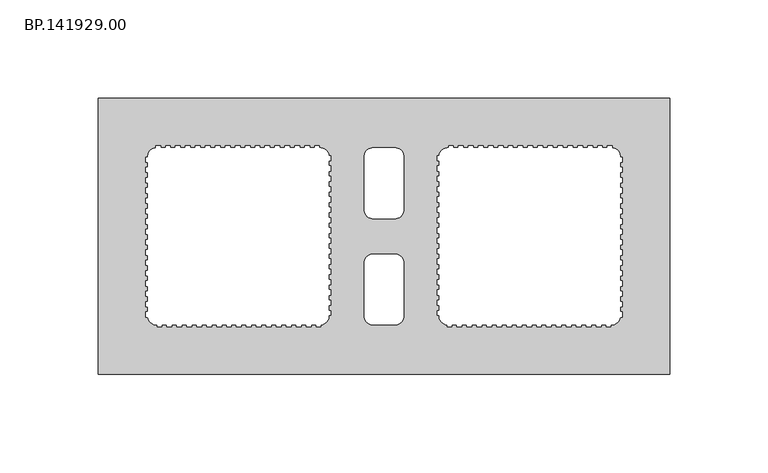
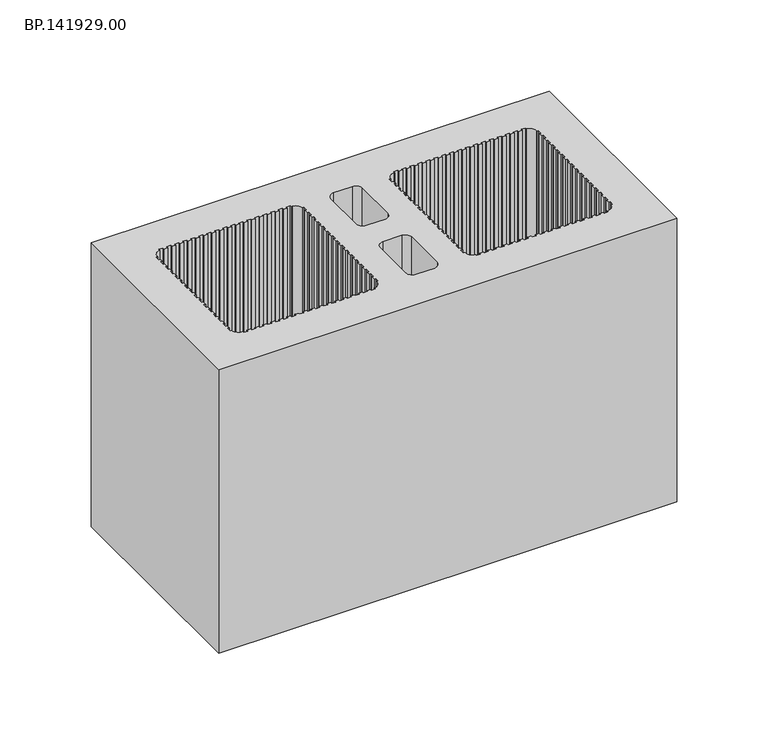
"""IFC4 building model written with IfcOpenShell, lengths in millimetres: proxy geometry, BP.141929.00."""

from ifc_helpers import new_model, si_unit, point, frame_2d, origin, origin_with_axes, place, context, project, spatial, polyline, circle_curve, trimmed, segment, composite_curve, outline, extrude, source, transform, mapped, element, save


def bp_141929_00_da45d11f(model_context):
    return source(origin(), model_context, "Body", "SweptSolid", [
        extrude(outline(polyline([(295.0, 70.0050293), (295.0, -70.0050293), (5.0, -70.0050293), (5.0, 70.0050293), (295.0, 70.0050293)]), holes=[composite_curve([segment(polyline([(117.1882813, 46.0), (114.8, 46.0), (114.8, 45.0), (112.275, 45.0), (112.275, 46.0), (109.75, 46.0), (109.75, 45.0), (107.225, 45.0), (107.225, 46.0), (104.7, 46.0), (104.7, 45.0), (102.175, 45.0), (102.175, 46.0), (99.65, 46.0), (99.65, 45.0), (97.125, 45.0), (97.125, 46.0), (94.6, 46.0), (94.6, 45.0), (92.075, 45.0), (92.075, 46.0), (89.55, 46.0), (89.55, 45.0), (87.025, 45.0), (87.025, 46.0), (84.5, 46.0), (84.5, 45.0), (81.975, 45.0), (81.975, 46.0), (79.45, 46.0), (79.45, 45.0), (76.925, 45.0), (76.925, 46.0), (74.4, 46.0), (74.4, 45.0), (71.875, 45.0), (71.875, 46.0), (69.35, 46.0), (69.35, 45.0), (66.825, 45.0), (66.825, 46.0), (64.3, 46.0), (64.3, 45.0), (61.775, 45.0), (61.775, 46.0), (59.25, 46.0), (59.25, 45.0), (56.725, 45.0), (56.725, 46.0), (54.2, 46.0), (54.2, 45.0), (51.675, 45.0), (51.675, 46.0), (49.15, 46.0), (49.15, 45.0), (46.625, 45.0), (46.625, 46.0), (44.1, 46.0), (44.1, 45.0), (41.575, 45.0), (41.575, 46.0), (39.05, 46.0), (39.05, 45.0), (36.525, 45.0), (36.525, 46.0), (34.0, 46.0), (34.0, 45.0)]), True, "CONTINUOUS"), segment(trimmed(circle_curve(frame_2d((34.4748737, 40.5251263)), 4.5), [point((34.0, 45.0))], [point((30.0, 41.0))], True, "CARTESIAN"), True, "CONTINUOUS"), segment(polyline([(30.0, 41.0), (30.0, 40.1817359), (29.0, 40.1817359), (29.0, 37.6763775), (30.0, 37.6763775), (30.0, 35.0538315), (29.0, 35.0538315), (29.0, 32.4312856), (30.0, 32.4312856), (30.0, 29.8087397), (29.0, 29.8087397), (29.0, 27.1861938), (30.0, 27.1861938), (30.0, 24.5636479), (29.0, 24.5636479), (29.0, 21.941102), (30.0, 21.941102), (30.0, 19.318556), (29.0, 19.318556), (29.0, 16.6960101), (30.0, 16.6960101), (30.0, 14.0734642), (29.0, 14.0734642), (29.0, 11.4509183), (30.0, 11.4509183), (30.0, 8.8283724), (29.0, 8.8283724), (29.0, 6.2058265), (30.0, 6.2058265), (30.0, 3.5832806), (29.0, 3.5832806), (29.0, 0.9607346), (30.0, 0.9607346), (30.0, -1.6618113), (29.0, -1.6618113), (29.0, -4.2843572), (30.0, -4.2843572), (30.0, -6.9069031), (29.0, -6.9069031), (29.0, -9.529449), (30.0, -9.529449), (30.0, -12.1519949), (29.0, -12.1519949), (29.0, -14.7745408), (30.0, -14.7745408), (30.0, -17.3970868), (29.0, -17.3970868), (29.0, -20.0196327), (30.0, -20.0196327), (30.0, -22.6421786), (29.0, -22.6421786), (29.0, -25.2647245), (30.0, -25.2647245), (30.0, -27.8872704), (29.0, -27.8872704), (29.0, -30.5098163), (30.0, -30.5098163), (30.0, -33.1323623), (29.0, -33.1323623), (29.0, -35.7549082), (30.0, -35.7549082), (30.0, -38.3774541), (29.0, -38.3774541), (29.0, -41.0), (30.0, -41.0)]), True, "CONTINUOUS"), segment(trimmed(circle_curve(frame_2d((34.4748737, -40.5251263)), 4.5), [point((30.0, -41.0))], [point((34.0, -45.0))], True, "CARTESIAN"), True, "CONTINUOUS"), segment(polyline([(34.0, -45.0), (34.7921875, -45.0), (34.7921875, -46.0), (37.2, -46.0), (37.2, -45.0), (39.725, -45.0), (39.725, -46.0), (42.25, -46.0), (42.25, -45.0), (44.775, -45.0), (44.775, -46.0), (47.3, -46.0), (47.3, -45.0), (49.825, -45.0), (49.825, -46.0), (52.35, -46.0), (52.35, -45.0), (54.875, -45.0), (54.875, -46.0), (57.4, -46.0), (57.4, -45.0), (59.925, -45.0), (59.925, -46.0), (62.45, -46.0), (62.45, -45.0), (64.975, -45.0), (64.975, -46.0), (67.5, -46.0), (67.5, -45.0), (70.025, -45.0), (70.025, -46.0), (72.55, -46.0), (72.55, -45.0), (75.075, -45.0), (75.075, -46.0), (77.6, -46.0), (77.6, -45.0), (80.125, -45.0), (80.125, -46.0), (82.65, -46.0), (82.65, -45.0), (85.175, -45.0), (85.175, -46.0), (87.7, -46.0), (87.7, -45.0), (90.225, -45.0), (90.225, -46.0), (92.75, -46.0), (92.75, -45.0), (95.275, -45.0), (95.275, -46.0), (97.8, -46.0), (97.8, -45.0), (100.325, -45.0), (100.325, -46.0), (102.85, -46.0), (102.85, -45.0), (105.375, -45.0), (105.375, -46.0), (107.9, -46.0), (107.9, -45.0), (110.425, -45.0), (110.425, -46.0), (112.95, -46.0), (112.95, -45.0), (115.475, -45.0), (115.475, -46.0), (118.0, -46.0), (118.0, -45.0)]), True, "CONTINUOUS"), segment(trimmed(circle_curve(frame_2d((117.5251263, -40.5251263)), 4.5), [point((118.0, -45.0))], [point((122.0, -41.0))], True, "CARTESIAN"), True, "CONTINUOUS"), segment(polyline([(122.0, -41.0), (122.0, -40.1817359), (123.0, -40.1817359), (123.0, -37.6763775), (122.0, -37.6763775), (122.0, -35.0538315), (123.0, -35.0538315), (123.0, -32.4312856), (122.0, -32.4312856), (122.0, -29.8087397), (123.0, -29.8087397), (123.0, -27.1861938), (122.0, -27.1861938), (122.0, -24.5636479), (123.0, -24.5636479), (123.0, -21.941102), (122.0, -21.941102), (122.0, -19.318556), (123.0, -19.318556), (123.0, -16.6960101), (122.0, -16.6960101), (122.0, -14.0734642), (123.0, -14.0734642), (123.0, -11.4509183), (122.0, -11.4509183), (122.0, -8.8283724), (123.0, -8.8283724), (123.0, -6.2058265), (122.0, -6.2058265), (122.0, -3.5832806), (123.0, -3.5832806), (123.0, -0.9607346), (122.0, -0.9607346), (122.0, 1.6618113), (123.0, 1.6618113), (123.0, 4.2843572), (122.0, 4.2843572), (122.0, 6.9069031), (123.0, 6.9069031), (123.0, 9.529449), (122.0, 9.529449), (122.0, 12.1519949), (123.0, 12.1519949), (123.0, 14.7745408), (122.0, 14.7745408), (122.0, 17.3970868), (123.0, 17.3970868), (123.0, 20.0196327), (122.0, 20.0196327), (122.0, 22.6421786), (123.0, 22.6421786), (123.0, 25.2647245), (122.0, 25.2647245), (122.0, 27.8872704), (123.0, 27.8872704), (123.0, 30.5098163), (122.0, 30.5098163), (122.0, 33.1323623), (123.0, 33.1323623), (123.0, 35.7549082), (122.0, 35.7549082), (122.0, 38.3774541), (123.0, 38.3774541), (123.0, 41.0), (122.0, 41.0)]), True, "CONTINUOUS"), segment(trimmed(circle_curve(frame_2d((117.5251263, 40.5251263)), 4.5), [point((122.0, 41.0))], [point((118.0, 45.0))], True, "CARTESIAN"), True, "CONTINUOUS"), segment(polyline([(118.0, 45.0), (117.1882813, 45.0), (117.1882813, 46.0)]), True, "CONTINUOUS")], self_intersect=False), composite_curve([segment(polyline([(182.8117188, 46.0), (182.8117188, 45.0), (182.0, 45.0)]), True, "CONTINUOUS"), segment(trimmed(circle_curve(frame_2d((182.4748737, 40.5251263)), 4.5), [point((182.0, 45.0))], [point((178.0, 41.0))], True, "CARTESIAN"), True, "CONTINUOUS"), segment(polyline([(178.0, 41.0), (177.0, 41.0), (177.0, 38.3774541), (178.0, 38.3774541), (178.0, 35.7549082), (177.0, 35.7549082), (177.0, 33.1323623), (178.0, 33.1323623), (178.0, 30.5098163), (177.0, 30.5098163), (177.0, 27.8872704), (178.0, 27.8872704), (178.0, 25.2647245), (177.0, 25.2647245), (177.0, 22.6421786), (178.0, 22.6421786), (178.0, 20.0196327), (177.0, 20.0196327), (177.0, 17.3970868), (178.0, 17.3970868), (178.0, 14.7745408), (177.0, 14.7745408), (177.0, 12.1519949), (178.0, 12.1519949), (178.0, 9.529449), (177.0, 9.529449), (177.0, 6.9069031), (178.0, 6.9069031), (178.0, 4.2843572), (177.0, 4.2843572), (177.0, 1.6618113), (178.0, 1.6618113), (178.0, -0.9607346), (177.0, -0.9607346), (177.0, -3.5832806), (178.0, -3.5832806), (178.0, -6.2058265), (177.0, -6.2058265), (177.0, -8.8283724), (178.0, -8.8283724), (178.0, -11.4509183), (177.0, -11.4509183), (177.0, -14.0734642), (178.0, -14.0734642), (178.0, -16.6960101), (177.0, -16.6960101), (177.0, -19.318556), (178.0, -19.318556), (178.0, -21.941102), (177.0, -21.941102), (177.0, -24.5636479), (178.0, -24.5636479), (178.0, -27.1861938), (177.0, -27.1861938), (177.0, -29.8087397), (178.0, -29.8087397), (178.0, -32.4312856), (177.0, -32.4312856), (177.0, -35.0538315), (178.0, -35.0538315), (178.0, -37.6763775), (177.0, -37.6763775), (177.0, -40.1817359), (178.0, -40.1817359), (178.0, -41.0)]), True, "CONTINUOUS"), segment(trimmed(circle_curve(frame_2d((182.4748737, -40.5251263)), 4.5), [point((178.0, -41.0))], [point((182.0, -45.0))], True, "CARTESIAN"), True, "CONTINUOUS"), segment(polyline([(182.0, -45.0), (182.0, -46.0), (184.525, -46.0), (184.525, -45.0), (187.05, -45.0), (187.05, -46.0), (189.575, -46.0), (189.575, -45.0), (192.1, -45.0), (192.1, -46.0), (194.625, -46.0), (194.625, -45.0), (197.15, -45.0), (197.15, -46.0), (199.675, -46.0), (199.675, -45.0), (202.2, -45.0), (202.2, -46.0), (204.725, -46.0), (204.725, -45.0), (207.25, -45.0), (207.25, -46.0), (209.775, -46.0), (209.775, -45.0), (212.3, -45.0), (212.3, -46.0), (214.825, -46.0), (214.825, -45.0), (217.35, -45.0), (217.35, -46.0), (219.875, -46.0), (219.875, -45.0), (222.4, -45.0), (222.4, -46.0), (224.925, -46.0), (224.925, -45.0), (227.45, -45.0), (227.45, -46.0), (229.975, -46.0), (229.975, -45.0), (232.5, -45.0), (232.5, -46.0), (235.025, -46.0), (235.025, -45.0), (237.55, -45.0), (237.55, -46.0), (240.075, -46.0), (240.075, -45.0), (242.6, -45.0), (242.6, -46.0), (245.125, -46.0), (245.125, -45.0), (247.65, -45.0), (247.65, -46.0), (250.175, -46.0), (250.175, -45.0), (252.7, -45.0), (252.7, -46.0), (255.225, -46.0), (255.225, -45.0), (257.75, -45.0), (257.75, -46.0), (260.275, -46.0), (260.275, -45.0), (262.8, -45.0), (262.8, -46.0), (265.2078125, -46.0), (265.2078125, -45.0), (266.0, -45.0)]), True, "CONTINUOUS"), segment(trimmed(circle_curve(frame_2d((265.5251263, -40.5251263)), 4.5), [point((266.0, -45.0))], [point((270.0, -41.0))], True, "CARTESIAN"), True, "CONTINUOUS"), segment(polyline([(270.0, -41.0), (271.0, -41.0), (271.0, -38.3774541), (270.0, -38.3774541), (270.0, -35.7549082), (271.0, -35.7549082), (271.0, -33.1323623), (270.0, -33.1323623), (270.0, -30.5098163), (271.0, -30.5098163), (271.0, -27.8872704), (270.0, -27.8872704), (270.0, -25.2647245), (271.0, -25.2647245), (271.0, -22.6421786), (270.0, -22.6421786), (270.0, -20.0196327), (271.0, -20.0196327), (271.0, -17.3970868), (270.0, -17.3970868), (270.0, -14.7745408), (271.0, -14.7745408), (271.0, -12.1519949), (270.0, -12.1519949), (270.0, -9.529449), (271.0, -9.529449), (271.0, -6.9069031), (270.0, -6.9069031), (270.0, -4.2843572), (271.0, -4.2843572), (271.0, -1.6618113), (270.0, -1.6618113), (270.0, 0.9607346), (271.0, 0.9607346), (271.0, 3.5832806), (270.0, 3.5832806), (270.0, 6.2058265), (271.0, 6.2058265), (271.0, 8.8283724), (270.0, 8.8283724), (270.0, 11.4509183), (271.0, 11.4509183), (271.0, 14.0734642), (270.0, 14.0734642), (270.0, 16.6960101), (271.0, 16.6960101), (271.0, 19.318556), (270.0, 19.318556), (270.0, 21.941102), (271.0, 21.941102), (271.0, 24.5636479), (270.0, 24.5636479), (270.0, 27.1861938), (271.0, 27.1861938), (271.0, 29.8087397), (270.0, 29.8087397), (270.0, 32.4312856), (271.0, 32.4312856), (271.0, 35.0538315), (270.0, 35.0538315), (270.0, 37.6763775), (271.0, 37.6763775), (271.0, 40.1817359), (270.0, 40.1817359), (270.0, 41.0)]), True, "CONTINUOUS"), segment(trimmed(circle_curve(frame_2d((265.5251263, 40.5251263)), 4.5), [point((270.0, 41.0))], [point((266.0, 45.0))], True, "CARTESIAN"), True, "CONTINUOUS"), segment(polyline([(266.0, 45.0), (266.0, 46.0), (263.475, 46.0), (263.475, 45.0), (260.95, 45.0), (260.95, 46.0), (258.425, 46.0), (258.425, 45.0), (255.9, 45.0), (255.9, 46.0), (253.375, 46.0), (253.375, 45.0), (250.85, 45.0), (250.85, 46.0), (248.325, 46.0), (248.325, 45.0), (245.8, 45.0), (245.8, 46.0), (243.275, 46.0), (243.275, 45.0), (240.75, 45.0), (240.75, 46.0), (238.225, 46.0), (238.225, 45.0), (235.7, 45.0), (235.7, 46.0), (233.175, 46.0), (233.175, 45.0), (230.65, 45.0), (230.65, 46.0), (228.125, 46.0), (228.125, 45.0), (225.6, 45.0), (225.6, 46.0), (223.075, 46.0), (223.075, 45.0), (220.55, 45.0), (220.55, 46.0), (218.025, 46.0), (218.025, 45.0), (215.5, 45.0), (215.5, 46.0), (212.975, 46.0), (212.975, 45.0), (210.45, 45.0), (210.45, 46.0), (207.925, 46.0), (207.925, 45.0), (205.4, 45.0), (205.4, 46.0), (202.875, 46.0), (202.875, 45.0), (200.35, 45.0), (200.35, 46.0), (197.825, 46.0), (197.825, 45.0), (195.3, 45.0), (195.3, 46.0), (192.775, 46.0), (192.775, 45.0), (190.25, 45.0), (190.25, 46.0), (187.725, 46.0), (187.725, 45.0), (185.2, 45.0), (185.2, 46.0), (182.8117188, 46.0)]), True, "CONTINUOUS")], self_intersect=False), composite_curve([segment(trimmed(circle_curve(frame_2d((155.5251263, 40.5251263)), 4.5), [point((160.0, 41.0))], [point((156.0, 45.0))], True, "CARTESIAN"), True, "CONTINUOUS"), segment(polyline([(156.0, 45.0), (144.0, 45.0)]), True, "CONTINUOUS"), segment(trimmed(circle_curve(frame_2d((144.4748737, 40.5251263)), 4.5), [point((144.0, 45.0))], [point((140.0, 41.0))], True, "CARTESIAN"), True, "CONTINUOUS"), segment(polyline([(140.0, 41.0), (140.0, 13.0)]), True, "CONTINUOUS"), segment(trimmed(circle_curve(frame_2d((144.4748737, 13.4748737)), 4.5), [point((140.0, 13.0))], [point((144.0, 9.0))], True, "CARTESIAN"), True, "CONTINUOUS"), segment(polyline([(144.0, 9.0), (156.0, 9.0)]), True, "CONTINUOUS"), segment(trimmed(circle_curve(frame_2d((155.5251263, 13.4748737)), 4.5), [point((156.0, 9.0))], [point((160.0, 13.0))], True, "CARTESIAN"), True, "CONTINUOUS"), segment(polyline([(160.0, 13.0), (160.0, 41.0)]), True, "CONTINUOUS")], self_intersect=False), composite_curve([segment(trimmed(circle_curve(frame_2d((155.5251263, -13.4748737)), 4.5), [point((160.0, -13.0))], [point((156.0, -9.0))], True, "CARTESIAN"), True, "CONTINUOUS"), segment(polyline([(156.0, -9.0), (144.0, -9.0)]), True, "CONTINUOUS"), segment(trimmed(circle_curve(frame_2d((144.4748737, -13.4748737)), 4.5), [point((144.0, -9.0))], [point((140.0, -13.0))], True, "CARTESIAN"), True, "CONTINUOUS"), segment(polyline([(140.0, -13.0), (140.0, -41.0)]), True, "CONTINUOUS"), segment(trimmed(circle_curve(frame_2d((144.4748737, -40.5251263)), 4.5), [point((140.0, -41.0))], [point((144.0, -45.0))], True, "CARTESIAN"), True, "CONTINUOUS"), segment(polyline([(144.0, -45.0), (156.0, -45.0)]), True, "CONTINUOUS"), segment(trimmed(circle_curve(frame_2d((155.5251263, -40.5251263)), 4.5), [point((156.0, -45.0))], [point((160.0, -41.0))], True, "CARTESIAN"), True, "CONTINUOUS"), segment(polyline([(160.0, -41.0), (160.0, -13.0)]), True, "CONTINUOUS")], self_intersect=False)]), origin_with_axes(), (0.0, 0.0, 1.0), 190.0),
    ])


if __name__ == "__main__":
    model = new_model("IFC4")
    model_context = context("Model", 3, world=origin())
    ifc_project = project(units=[si_unit("LENGTHUNIT", "METRE", prefix="MILLI")], contexts=[model_context])
    site = spatial("IfcSite", under=ifc_project)
    building = spatial("IfcBuilding", under=site)
    placement = place(None, origin())
    bp_141929_00_shape = bp_141929_00_da45d11f(model_context)
    element("IfcBuildingElementProxy", 1, Name="BP.141929.00", ObjectType="BP.141929.00", at=placement, inside=building, context=model_context, shape_type="MappedRepresentation", body=[
        mapped(bp_141929_00_shape, transform((0.0, 0.0, 0.0), x_axis=(1.0, 0.0, 0.0), y_axis=(0.0, 1.0, 0.0), z_axis=(0.0, 0.0, 1.0))),
    ])
    save(model, "model.ifc")
